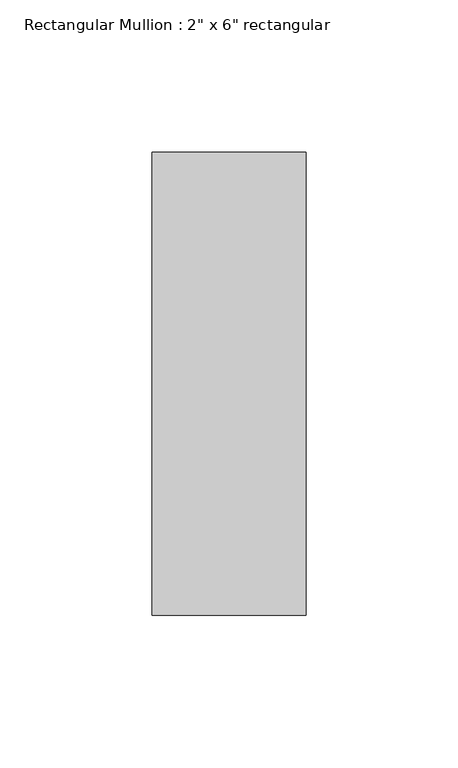
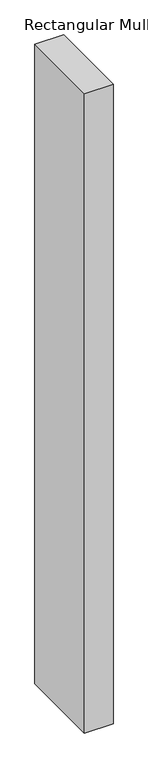
"""IFC4 building model written with IfcOpenShell, lengths in millimetres: member geometry."""

from ifc_helpers import new_model, si_unit, frame, origin, place, context, project, spatial, polyline, outline, extrude, source, transform, mapped, element, save


def member_f163de99(model_context):
    return source(origin(), model_context, "Body", "SweptSolid", [
        extrude(outline(polyline([(0.0, 76.2), (0.0, -76.2), (-50.8, -76.2), (-50.8, 76.2), (0.0, 76.2)])), frame((0.0, 0.0, -1200.1953764), z_axis=(0.0, 0.0, 1.0), x_axis=(1.0, 0.0, 0.0)), (0.0, 0.0, 1.0), 1200.1953764),
    ])


if __name__ == "__main__":
    model = new_model("IFC4")
    model_context = context("Model", 3, world=origin())
    ifc_project = project(units=[si_unit("LENGTHUNIT", "METRE", prefix="MILLI")], contexts=[model_context])
    site = spatial("IfcSite", under=ifc_project)
    building = spatial("IfcBuilding", under=site)
    placement = place(None, origin())
    member_shape = member_f163de99(model_context)
    element("IfcMember", 1, ObjectType="Rectangular Mullion : 2\" x 6\" rectangular", at=placement, inside=building, context=model_context, shape_type="MappedRepresentation", body=[
        mapped(member_shape, transform((0.0, 0.0, 0.0), x_axis=(1.0, 0.0, 0.0), y_axis=(0.0, 1.0, 0.0), z_axis=(0.0, 0.0, 1.0))),
    ])
    save(model, "model.ifc")
